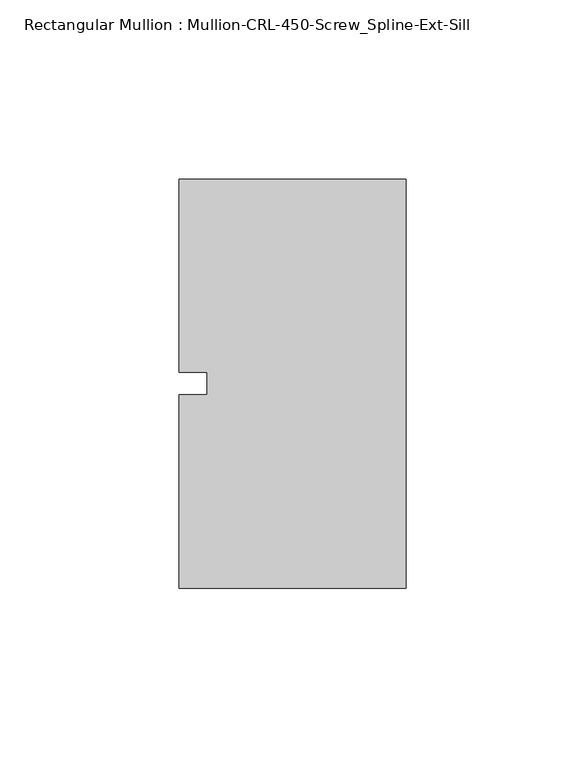
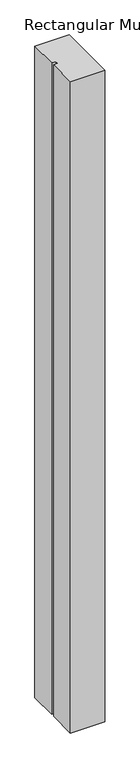
"""IFC4 building model written with IfcOpenShell, lengths in millimetres: member geometry, Rectangular Mullion : Mullion-CRL-450-Screw_Spline-Ext-Sill."""

from ifc_helpers import new_model, si_unit, frame, origin, place, context, project, spatial, polyline, outline, extrude, source, transform, mapped, element, save


def rectangular_mullion_mullion_crl_450_screw_spline_ext_sill_03a5a4d6(model_context):
    return source(origin(), model_context, "Body", "SweptSolid", [
        extrude(outline(polyline([(-63.5, -3.175), (-55.5625, -3.175), (-55.5625, 3.175), (-63.5, 3.175), (-63.5, 57.15), (0.0, 57.15), (0.0, -57.15), (-63.5, -57.15), (-63.5, -3.175)])), frame((0.0, 0.0, -1278.4666667), z_axis=(0.0, 0.0, 1.0), x_axis=(1.0, 0.0, 0.0)), (0.0, 0.0, 1.0), 1278.4666667),
    ])


if __name__ == "__main__":
    model = new_model("IFC4")
    model_context = context("Model", 3, world=origin())
    ifc_project = project(units=[si_unit("LENGTHUNIT", "METRE", prefix="MILLI")], contexts=[model_context])
    site = spatial("IfcSite", under=ifc_project)
    building = spatial("IfcBuilding", under=site)
    placement = place(None, origin())
    rectangular_mullion_mullion_crl_450_screw_spline_ext_sill_shape = rectangular_mullion_mullion_crl_450_screw_spline_ext_sill_03a5a4d6(model_context)
    element("IfcMember", 1, ObjectType="Rectangular Mullion : Mullion-CRL-450-Screw_Spline-Ext-Sill", at=placement, inside=building, context=model_context, shape_type="MappedRepresentation", body=[
        mapped(rectangular_mullion_mullion_crl_450_screw_spline_ext_sill_shape, transform((0.0, 0.0, 0.0), x_axis=(1.0, 0.0, 0.0), y_axis=(0.0, 1.0, 0.0), z_axis=(0.0, 0.0, 1.0))),
    ])
    save(model, "model.ifc")
